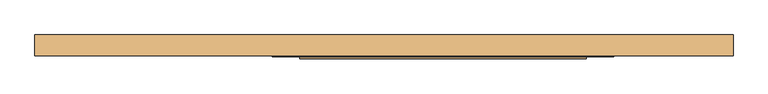
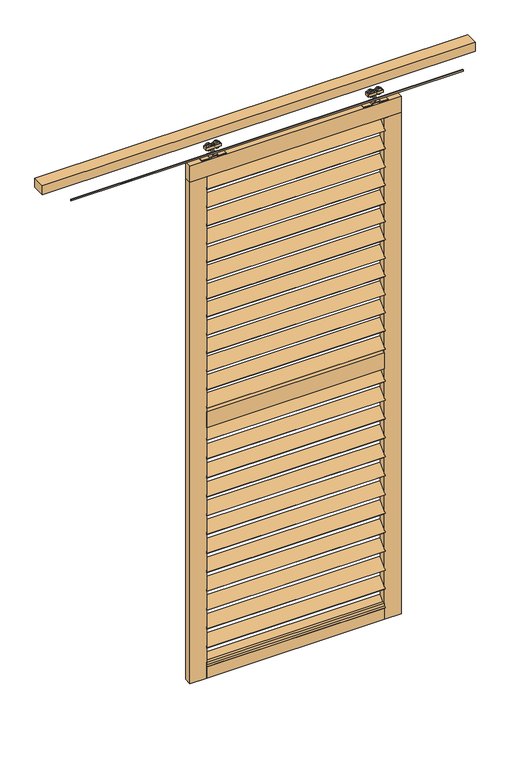
"""IFC4 building model written with IfcOpenShell, lengths in millimetres: door geometry."""

from ifc_helpers import new_model, si_unit, point, frame, frame_2d, origin, place, context, project, spatial, polyline, circle_curve, trimmed, segment, composite_curve, outline, extrude, source, transform, mapped, element, save


def door_b2b79955(model_context):
    return source(origin(), model_context, "Body", "SweptSolid", [
        extrude(outline(polyline([(0.0, -5.0000001), (0.0, 0.0), (840.0, 0.0), (840.0, -5.0000001), (0.0, -5.0000001)])), frame((-222.5, -24.1880102, 2364.9773629), z_axis=(0.0, 0.7071067811865482, 0.707106781186547), x_axis=(1.0, 0.0, 0.0)), (0.0, 0.0, 1.0), 60.0),
        extrude(outline(polyline([(0.0, -5.0), (0.0, 0.0), (840.0, 0.0), (840.0, -5.0), (0.0, -5.0)])), frame((-222.5, -24.1880102, 2273.9356963), z_axis=(0.0, 0.7071067811865482, 0.707106781186547), x_axis=(1.0, 0.0, 0.0)), (0.0, 0.0, 1.0), 60.0),
        extrude(outline(polyline([(0.0, -5.0), (0.0, 0.0), (840.0, 0.0), (840.0, -5.0), (0.0, -5.0)])), frame((-222.5, -24.1880102, 1109.1440296), z_axis=(0.0, 0.7071067811865482, 0.707106781186547), x_axis=(1.0, 0.0, 0.0)), (0.0, 0.0, 1.0), 60.0),
        extrude(outline(polyline([(0.0, -5.0), (0.0, 0.0), (840.0, 0.0), (840.0, -5.0), (0.0, -5.0)])), frame((-222.5, -24.1880102, 1014.7690296), z_axis=(0.0, 0.7071067811865482, 0.707106781186547), x_axis=(1.0, 0.0, 0.0)), (0.0, 0.0, 1.0), 60.0),
        extrude(outline(polyline([(0.0, -5.0), (0.0, 0.0), (840.0, 0.0), (840.0, -5.0), (0.0, -5.0)])), frame((-222.5, -24.1880102, 2182.8940296), z_axis=(0.0, 0.7071067811865482, 0.707106781186547), x_axis=(1.0, 0.0, 0.0)), (0.0, 0.0, 1.0), 60.0),
        extrude(outline(polyline([(0.0, -5.0000001), (0.0, 0.0), (840.0, 0.0), (840.0, -5.0000001), (0.0, -5.0000001)])), frame((-222.5, -24.1880102, 2091.8523629), z_axis=(0.0, 0.7071067811865482, 0.707106781186547), x_axis=(1.0, 0.0, 0.0)), (0.0, 0.0, 1.0), 60.0),
        extrude(outline(polyline([(0.0, -5.0), (0.0, 0.0), (840.0, 0.0), (840.0, -5.0), (0.0, -5.0)])), frame((-222.5, -24.1880102, 2000.8106963), z_axis=(0.0, 0.7071067811865482, 0.707106781186547), x_axis=(1.0, 0.0, 0.0)), (0.0, 0.0, 1.0), 60.0),
        extrude(outline(polyline([(0.0, -5.0), (0.0, 0.0), (840.0, 0.0), (840.0, -5.0), (0.0, -5.0)])), frame((-222.5, -24.1880102, 1909.7690296), z_axis=(0.0, 0.7071067811865482, 0.707106781186547), x_axis=(1.0, 0.0, 0.0)), (0.0, 0.0, 1.0), 60.0),
        extrude(outline(polyline([(0.0, -5.0), (0.0, 0.0), (840.0, 0.0), (840.0, -5.0), (0.0, -5.0)])), frame((-222.5, -24.1880102, 920.3940296), z_axis=(0.0, 0.7071067811865482, 0.707106781186547), x_axis=(1.0, 0.0, 0.0)), (0.0, 0.0, 1.0), 60.0),
        extrude(outline(polyline([(0.0, -5.0), (0.0, 0.0), (840.0, 0.0), (840.0, -5.0), (0.0, -5.0)])), frame((-222.5, -24.1880102, 826.0190296), z_axis=(0.0, 0.7071067811865482, 0.707106781186547), x_axis=(1.0, 0.0, 0.0)), (0.0, 0.0, 1.0), 60.0),
        extrude(outline(polyline([(0.0, -5.0), (0.0, 0.0), (840.0, 0.0), (840.0, -5.0), (0.0, -5.0)])), frame((-222.5, -24.1880102, 731.6440296), z_axis=(0.0, 0.7071067811865482, 0.707106781186547), x_axis=(1.0, 0.0, 0.0)), (0.0, 0.0, 1.0), 60.0),
        extrude(outline(polyline([(0.0, -5.0), (0.0, 0.0), (840.0, 0.0), (840.0, -5.0), (0.0, -5.0)])), frame((-222.5, -24.1880102, 637.2690296), z_axis=(0.0, 0.7071067811865482, 0.707106781186547), x_axis=(1.0, 0.0, 0.0)), (0.0, 0.0, 1.0), 60.0),
        extrude(outline(polyline([(0.0, -5.0000001), (0.0, 0.0), (840.0, 0.0), (840.0, -5.0000001), (0.0, -5.0000001)])), frame((-222.5, -24.1880102, 1818.7273629), z_axis=(0.0, 0.7071067811865482, 0.707106781186547), x_axis=(1.0, 0.0, 0.0)), (0.0, 0.0, 1.0), 60.0),
        extrude(outline(polyline([(0.0, -5.0), (0.0, 0.0), (840.0, 0.0), (840.0, -5.0), (0.0, -5.0)])), frame((-222.5, -24.1880102, 1727.6856963), z_axis=(0.0, 0.7071067811865482, 0.707106781186547), x_axis=(1.0, 0.0, 0.0)), (0.0, 0.0, 1.0), 60.0),
        extrude(outline(polyline([(0.0, -5.0), (0.0, 0.0), (840.0, 0.0), (840.0, -5.0), (0.0, -5.0)])), frame((-222.5, -24.1880102, 1636.6440296), z_axis=(0.0, 0.7071067811865482, 0.707106781186547), x_axis=(1.0, 0.0, 0.0)), (0.0, 0.0, 1.0), 60.0),
        extrude(outline(polyline([(0.0, -5.0000001), (0.0, 0.0), (840.0, 0.0), (840.0, -5.0000001), (0.0, -5.0000001)])), frame((-222.5, -24.1880102, 1545.6023629), z_axis=(0.0, 0.7071067811865482, 0.707106781186547), x_axis=(1.0, 0.0, 0.0)), (0.0, 0.0, 1.0), 60.0),
        extrude(outline(polyline([(0.0, -5.0), (0.0, 0.0), (840.0, 0.0), (840.0, -5.0), (0.0, -5.0)])), frame((-222.5, -24.1880102, 1454.5606963), z_axis=(0.0, 0.7071067811865482, 0.707106781186547), x_axis=(1.0, 0.0, 0.0)), (0.0, 0.0, 1.0), 60.0),
        extrude(outline(polyline([(0.0, -5.0), (0.0, 0.0), (840.0, 0.0), (840.0, -5.0), (0.0, -5.0)])), frame((-222.5, -24.1880102, 2456.0190296), z_axis=(0.0, 0.7071067811865482, 0.707106781186547), x_axis=(1.0, 0.0, 0.0)), (0.0, 0.0, 1.0), 60.0),
        extrude(outline(polyline([(0.0, -5.0), (0.0, 0.0), (840.0, 0.0), (840.0, -5.0), (0.0, -5.0)])), frame((-222.5, -24.1880102, 1363.5190296), z_axis=(0.0, 0.7071067811865482, 0.707106781186547), x_axis=(1.0, 0.0, 0.0)), (0.0, 0.0, 1.0), 60.0),
        extrude(outline(polyline([(0.0, -5.0), (0.0, 0.0), (840.0, 0.0), (840.0, -5.0), (0.0, -5.0)])), frame((-222.5, -24.1880102, 542.8940296), z_axis=(0.0, 0.7071067811865482, 0.707106781186547), x_axis=(1.0, 0.0, 0.0)), (0.0, 0.0, 1.0), 60.0),
        extrude(outline(polyline([(0.0, -5.0), (0.0, 0.0), (840.0, 0.0), (840.0, -5.0), (0.0, -5.0)])), frame((-222.5, -24.1880102, 448.5190296), z_axis=(0.0, 0.7071067811865482, 0.707106781186547), x_axis=(1.0, 0.0, 0.0)), (0.0, 0.0, 1.0), 60.0),
        extrude(outline(polyline([(0.0, -5.0), (0.0, 0.0), (840.0, 0.0), (840.0, -5.0), (0.0, -5.0)])), frame((-222.5, -24.1880102, 354.1440296), z_axis=(0.0, 0.7071067811865482, 0.707106781186547), x_axis=(1.0, 0.0, 0.0)), (0.0, 0.0, 1.0), 60.0),
        extrude(outline(polyline([(0.0, -5.0), (0.0, 0.0), (840.0, 0.0), (840.0, -5.0), (0.0, -5.0)])), frame((-222.5, -24.1880102, 259.7690296), z_axis=(0.0, 0.7071067811865482, 0.707106781186547), x_axis=(1.0, 0.0, 0.0)), (0.0, 0.0, 1.0), 60.0),
        extrude(outline(polyline([(0.0, -5.0), (0.0, 0.0), (840.0, 0.0), (840.0, -5.0), (0.0, -5.0)])), frame((-222.5, -24.1880102, 165.3940296), z_axis=(0.0, 0.7071067811865482, 0.707106781186547), x_axis=(1.0, 0.0, 0.0)), (0.0, 0.0, 1.0), 60.0),
        extrude(outline(polyline([(0.0, -5.0), (0.0, 0.0), (840.0, 0.0), (840.0, -5.0), (0.0, -5.0)])), frame((-222.5, -24.1880102, 1203.5190296), z_axis=(0.0, 0.7071067811865482, 0.707106781186547), x_axis=(1.0, 0.0, 0.0)), (0.0, 0.0, 1.0), 60.0),
        extrude(outline(polyline([(0.0, -5.0), (0.0, 0.0), (840.0, 0.0), (840.0, -5.0), (0.0, -5.0)])), frame((-222.5, -24.1880102, 71.0190296), z_axis=(0.0, 0.7071067811865482, 0.707106781186547), x_axis=(1.0, 0.0, 0.0)), (0.0, 0.0, 1.0), 60.0),
        extrude(outline(polyline([(617.5, -22.2425737), (-222.5, -22.2425737), (-222.5, 12.7574263), (617.5, 12.7574263), (617.5, -22.2425737)])), frame((0.0, 0.0, 1266.5), z_axis=(0.0, 0.0, 1.0), x_axis=(1.0, 0.0, 0.0)), (0.0, 0.0, 1.0), 80.0),
        extrude(outline(polyline([(617.5, -22.2425737), (-222.5, -22.2425737), (-222.5, 12.7574263), (617.5, 12.7574263), (617.5, -22.2425737)])), frame((0.0, 0.0, 14.0), z_axis=(0.0, 0.0, 1.0), x_axis=(1.0, 0.0, 0.0)), (0.0, 0.0, 1.0), 80.0),
        extrude(outline(polyline([(697.5, -22.2425737), (-302.5, -22.2425737), (-302.5, 12.7574263), (697.5, 12.7574263), (697.5, -22.2425737)])), frame((0.0, 0.0, 2519.0), z_axis=(0.0, 0.0, 1.0), x_axis=(1.0, 0.0, 0.0)), (0.0, 0.0, 1.0), 80.0),
        extrude(outline(polyline([(-222.5, -22.2425737), (-302.5, -22.2425737), (-302.5, 12.7574263), (-222.5, 12.7574263), (-222.5, -22.2425737)])), frame((0.0, 0.0, 14.0), z_axis=(0.0, 0.0, 1.0), x_axis=(1.0, 0.0, 0.0)), (0.0, 0.0, 1.0), 2505.0),
        extrude(outline(polyline([(697.5, -22.2425737), (617.5, -22.2425737), (617.5, 12.7574263), (697.5, 12.7574263), (697.5, -22.2425737)])), frame((0.0, 0.0, 14.0), z_axis=(0.0, 0.0, 1.0), x_axis=(1.0, 0.0, 0.0)), (0.0, 0.0, 1.0), 2505.0),
        extrude(outline(composite_curve([segment(trimmed(circle_curve(frame_2d((2652.430297, -204.25)), 13.5), [point((2652.430297, -217.75))], [point((2652.430297, -190.75))], False, "CARTESIAN"), True, "CONTINUOUS"), segment(trimmed(circle_curve(frame_2d((2652.430297, -204.25)), 13.5), [point((2652.430297, -190.75))], [point((2652.430297, -217.75))], False, "CARTESIAN"), True, "CONTINUOUS")], self_intersect=False)), frame((0.0, -13.9509888, 0.0), z_axis=(0.0, 1.0, 0.0), x_axis=(0.0, 0.0, 1.0)), (0.0, 0.0, 1.0), 5.2084151),
        extrude(outline(composite_curve([segment(trimmed(circle_curve(frame_2d((2652.430297, -166.75)), 13.5), [point((2652.430297, -153.25))], [point((2652.430297, -180.25))], False, "CARTESIAN"), True, "CONTINUOUS"), segment(trimmed(circle_curve(frame_2d((2652.430297, -166.75)), 13.5), [point((2652.430297, -180.25))], [point((2652.430297, -153.25))], False, "CARTESIAN"), True, "CONTINUOUS")], self_intersect=False)), frame((0.0, -13.9509888, 0.0), z_axis=(0.0, 1.0, 0.0), x_axis=(0.0, 0.0, 1.0)), (0.0, 0.0, 1.0), 5.2084151),
        extrude(outline(composite_curve([segment(trimmed(circle_curve(frame_2d((2652.430297, -204.25)), 13.5), [point((2652.430297, -217.75))], [point((2652.430297, -190.75))], False, "CARTESIAN"), True, "CONTINUOUS"), segment(trimmed(circle_curve(frame_2d((2652.430297, -204.25)), 13.5), [point((2652.430297, -190.75))], [point((2652.430297, -217.75))], False, "CARTESIAN"), True, "CONTINUOUS")], self_intersect=False)), frame((0.0, -0.7425737, 0.0), z_axis=(0.0, 1.0, 0.0), x_axis=(0.0, 0.0, 1.0)), (0.0, 0.0, 1.0), 5.0880554),
        extrude(outline(composite_curve([segment(trimmed(circle_curve(frame_2d((2652.430297, -166.75)), 13.5), [point((2652.430297, -153.25))], [point((2652.430297, -180.25))], False, "CARTESIAN"), True, "CONTINUOUS"), segment(trimmed(circle_curve(frame_2d((2652.430297, -166.75)), 13.5), [point((2652.430297, -180.25))], [point((2652.430297, -153.25))], False, "CARTESIAN"), True, "CONTINUOUS")], self_intersect=False)), frame((0.0, -0.7425737, 0.0), z_axis=(0.0, 1.0, 0.0), x_axis=(0.0, 0.0, 1.0)), (0.0, 0.0, 1.0), 5.0880554),
        extrude(outline(polyline([(-220.5, -15.2425737), (-220.5, 5.7574263), (-150.5, 5.7574263), (-150.5, -15.2425737), (-220.5, -15.2425737)])), frame((0.0, 0.0, 2644.5), z_axis=(0.0, 0.0, 1.0), x_axis=(1.0, 0.0, 0.0)), (0.0, 0.0, 1.0), 13.0),
        extrude(outline(polyline([(-189.5, -8.7425737), (-189.5, -0.7425737), (-181.5, -0.7425737), (-181.5, -8.7425737), (-189.5, -8.7425737)])), frame((0.0, 0.0, 2603.0), z_axis=(0.0, 0.0, 1.0), x_axis=(1.0, 0.0, 0.0)), (0.0, 0.0, 1.0), 56.0),
        extrude(outline(polyline([(2603.0, -128.5), (2603.0, -166.5), (2609.0, -166.5), (2609.0, -204.5), (2603.0, -204.5), (2603.0, -242.5), (2599.0, -242.5), (2599.0, -200.5), (2605.0, -200.5), (2605.0, -170.5), (2599.0, -170.5), (2599.0, -128.5), (2603.0, -128.5)])), frame((0.0, -17.7425737, 0.0), z_axis=(0.0, 1.0, 0.0), x_axis=(0.0, 0.0, 1.0)), (0.0, 0.0, 1.0), 26.0),
        extrude(outline(composite_curve([segment(trimmed(circle_curve(frame_2d((2652.430297, 599.25)), 13.5), [point((2652.430297, 612.75))], [point((2652.430297, 585.75))], False, "CARTESIAN"), True, "CONTINUOUS"), segment(trimmed(circle_curve(frame_2d((2652.430297, 599.25)), 13.5), [point((2652.430297, 585.75))], [point((2652.430297, 612.75))], False, "CARTESIAN"), True, "CONTINUOUS")], self_intersect=False)), frame((0.0, -13.9509888, 0.0), z_axis=(0.0, 1.0, 0.0), x_axis=(0.0, 0.0, 1.0)), (0.0, 0.0, 1.0), 5.2084151),
        extrude(outline(composite_curve([segment(trimmed(circle_curve(frame_2d((2652.430297, 561.75)), 13.5), [point((2652.430297, 548.25))], [point((2652.430297, 575.25))], False, "CARTESIAN"), True, "CONTINUOUS"), segment(trimmed(circle_curve(frame_2d((2652.430297, 561.75)), 13.5), [point((2652.430297, 575.25))], [point((2652.430297, 548.25))], False, "CARTESIAN"), True, "CONTINUOUS")], self_intersect=False)), frame((0.0, -13.9509888, 0.0), z_axis=(0.0, 1.0, 0.0), x_axis=(0.0, 0.0, 1.0)), (0.0, 0.0, 1.0), 5.2084151),
        extrude(outline(composite_curve([segment(trimmed(circle_curve(frame_2d((2652.430297, 599.25)), 13.5), [point((2652.430297, 612.75))], [point((2652.430297, 585.75))], False, "CARTESIAN"), True, "CONTINUOUS"), segment(trimmed(circle_curve(frame_2d((2652.430297, 599.25)), 13.5), [point((2652.430297, 585.75))], [point((2652.430297, 612.75))], False, "CARTESIAN"), True, "CONTINUOUS")], self_intersect=False)), frame((0.0, -0.7425737, 0.0), z_axis=(0.0, 1.0, 0.0), x_axis=(0.0, 0.0, 1.0)), (0.0, 0.0, 1.0), 5.0880554),
        extrude(outline(composite_curve([segment(trimmed(circle_curve(frame_2d((2652.430297, 561.75)), 13.5), [point((2652.430297, 548.25))], [point((2652.430297, 575.25))], False, "CARTESIAN"), True, "CONTINUOUS"), segment(trimmed(circle_curve(frame_2d((2652.430297, 561.75)), 13.5), [point((2652.430297, 575.25))], [point((2652.430297, 548.25))], False, "CARTESIAN"), True, "CONTINUOUS")], self_intersect=False)), frame((0.0, -0.7425737, 0.0), z_axis=(0.0, 1.0, 0.0), x_axis=(0.0, 0.0, 1.0)), (0.0, 0.0, 1.0), 5.0880554),
        extrude(outline(polyline([(615.5, -15.2425737), (545.5, -15.2425737), (545.5, 5.7574263), (615.5, 5.7574263), (615.5, -15.2425737)])), frame((0.0, 0.0, 2644.5), z_axis=(0.0, 0.0, 1.0), x_axis=(1.0, 0.0, 0.0)), (0.0, 0.0, 1.0), 13.0),
        extrude(outline(polyline([(584.5, -8.7425737), (576.5, -8.7425737), (576.5, -0.7425737), (584.5, -0.7425737), (584.5, -8.7425737)])), frame((0.0, 0.0, 2603.0), z_axis=(0.0, 0.0, 1.0), x_axis=(1.0, 0.0, 0.0)), (0.0, 0.0, 1.0), 56.0),
        extrude(outline(polyline([(2603.0, 523.5), (2599.0, 523.5), (2599.0, 565.5), (2605.0, 565.5), (2605.0, 595.5), (2599.0, 595.5), (2599.0, 637.5), (2603.0, 637.5), (2603.0, 599.5), (2609.0, 599.5), (2609.0, 561.5), (2603.0, 561.5), (2603.0, 523.5)])), frame((0.0, -17.7425737, 0.0), z_axis=(0.0, 1.0, 0.0), x_axis=(0.0, 0.0, 1.0)), (0.0, 0.0, 1.0), 26.0),
        extrude(outline(polyline([(995.5, -14.7394005), (-857.5, -14.7394005), (-857.5, -10.9693523), (995.5, -10.9693523), (995.5, -14.7394005)])), frame((0.0, 0.0, 2616.3008197), z_axis=(0.0, 0.0, 1.0), x_axis=(1.0, 0.0, 0.0)), (0.0, 0.0, 1.0), 6.6991803),
        extrude(outline(polyline([(1047.5, 42.0), (1047.5, -19.7), (-997.5, -19.7), (-997.5, 42.0), (1047.5, 42.0)])), frame((0.0, 0.0, 2700.0), z_axis=(0.0, 0.0, 1.0), x_axis=(1.0, 0.0, 0.0)), (0.0, 0.0, 1.0), 45.0),
    ])


if __name__ == "__main__":
    model = new_model("IFC4")
    model_context = context("Model", 3, world=origin())
    ifc_project = project(units=[si_unit("LENGTHUNIT", "METRE", prefix="MILLI")], contexts=[model_context])
    site = spatial("IfcSite", under=ifc_project)
    building = spatial("IfcBuilding", under=site)
    placement = place(None, origin())
    door_shape = door_b2b79955(model_context)
    element("IfcDoor", 1, at=placement, inside=building, context=model_context, shape_type="MappedRepresentation", body=[
        mapped(door_shape, transform((0.0, 0.0, 0.0), x_axis=(1.0, 0.0, 0.0), y_axis=(0.0, 1.0, 0.0), z_axis=(0.0, 0.0, 1.0))),
    ])
    save(model, "model.ifc")
